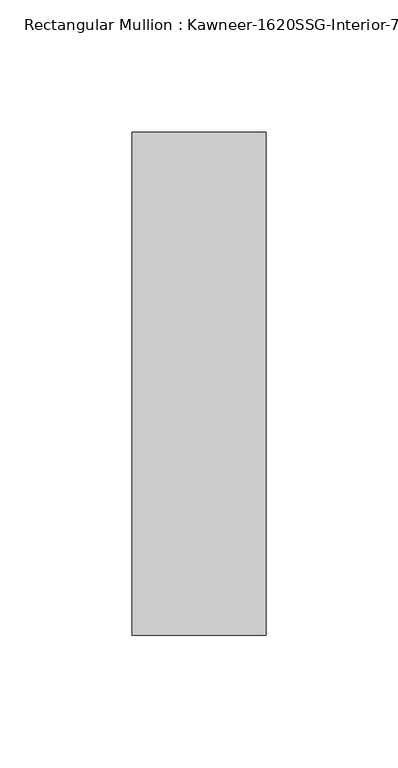
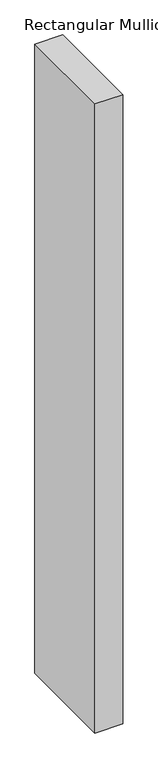
"""IFC4 building model written with IfcOpenShell, lengths in millimetres: member geometry."""

from ifc_helpers import new_model, si_unit, frame, origin, place, context, project, spatial, polyline, outline, extrude, source, transform, mapped, element, save


def member_8dc42b22(model_context):
    return source(origin(), model_context, "Body", "SweptSolid", [
        extrude(outline(polyline([(25.4, -161.925), (-25.4, -161.925), (-25.4, 28.575), (25.4, 28.575), (25.4, -161.925)])), frame((0.0, 0.0, -1219.2), z_axis=(0.0, 0.0, 1.0), x_axis=(1.0, 0.0, 0.0)), (0.0, 0.0, 1.0), 1219.2),
    ])


if __name__ == "__main__":
    model = new_model("IFC4")
    model_context = context("Model", 3, world=origin())
    ifc_project = project(units=[si_unit("LENGTHUNIT", "METRE", prefix="MILLI")], contexts=[model_context])
    site = spatial("IfcSite", under=ifc_project)
    building = spatial("IfcBuilding", under=site)
    placement = place(None, origin())
    member_shape = member_8dc42b22(model_context)
    element("IfcMember", 1, ObjectType="Rectangular Mullion : Kawneer-1620SSG-Interior-7.5\"-1/4\"Infill", at=placement, inside=building, context=model_context, shape_type="MappedRepresentation", body=[
        mapped(member_shape, transform((0.0, 0.0, 0.0), x_axis=(1.0, 0.0, 0.0), y_axis=(0.0, 1.0, 0.0), z_axis=(0.0, 0.0, 1.0))),
    ])
    save(model, "model.ifc")
